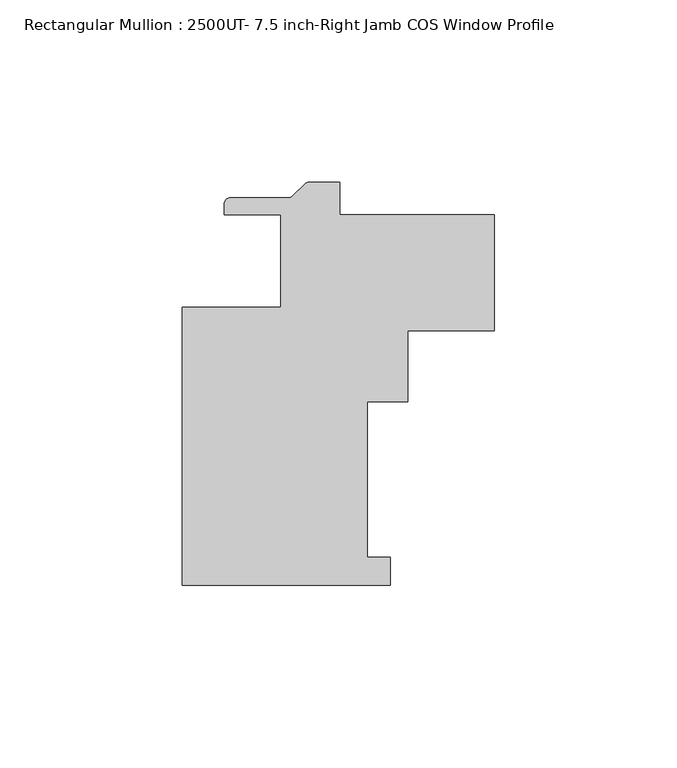
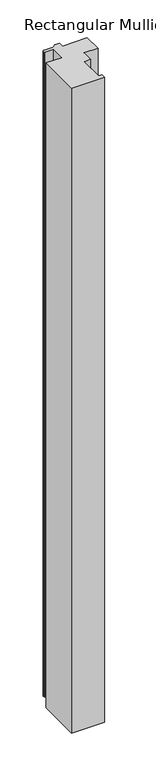
"""IFC4 building model written with IfcOpenShell, lengths in millimetres: member geometry, Rectangular Mullion : 2500UT- 7.5 inch-Right Jamb COS Window Profile."""

from ifc_helpers import new_model, si_unit, point, frame, frame_2d, origin, place, context, project, spatial, polyline, circle_curve, trimmed, segment, composite_curve, outline, extrude, source, transform, mapped, element, save


def rectangular_mullion_2500ut_7_5_inch_right_jamb_cos_window_6317d4c6(model_context):
    return source(origin(), model_context, "Body", "SweptSolid", [
        extrude(outline(composite_curve([segment(polyline([(-27.0362617, 21.6296875), (-18.6724412, 21.6296875), (-18.6724412, 12.6642815), (23.7998, 12.6642815), (23.7998, -19.0857185), (0.0037083, -19.0857185), (0.0037083, -38.6127625), (-11.1087917, -38.6127625), (-11.1087917, -81.3165125), (-4.7587917, -81.3165125), (-4.7587917, -88.9365125), (-61.9087917, -88.9365125), (-61.9087917, -12.7365125), (-34.9212917, -12.7365125), (-34.9212917, 12.6634874), (-50.4224412, 12.6634874), (-50.4224412, 15.5844875)]), True, "CONTINUOUS"), segment(trimmed(circle_curve(frame_2d((-48.6444412, 15.5844875)), 1.778), [point((-50.4224412, 15.5844875))], [point((-48.6444412, 17.3624875))], False, "CARTESIAN"), True, "CONTINUOUS"), segment(polyline([(-48.6444412, 17.3624875), (-32.7764051, 17.3624875)]), True, "CONTINUOUS"), segment(trimmed(circle_curve(frame_2d((-32.7764051, 19.1404875)), 1.778), [point((-32.7764051, 17.3624875))], [point((-31.5191693, 17.8832516))], True, "CARTESIAN"), True, "CONTINUOUS"), segment(polyline([(-31.5191693, 17.8832516), (-28.2934976, 21.1089234)]), True, "CONTINUOUS"), segment(trimmed(circle_curve(frame_2d((-27.0362617, 19.8516875)), 1.778), [point((-28.2934976, 21.1089234))], [point((-27.0362617, 21.6296875))], False, "CARTESIAN"), True, "CONTINUOUS")], self_intersect=False)), frame((0.0, 0.0, -1178.70605), z_axis=(0.0, 0.0, 1.0), x_axis=(1.0, 0.0, 0.0)), (0.0, 0.0, 1.0), 1178.70605),
    ])


if __name__ == "__main__":
    model = new_model("IFC4")
    model_context = context("Model", 3, world=origin())
    ifc_project = project(units=[si_unit("LENGTHUNIT", "METRE", prefix="MILLI")], contexts=[model_context])
    site = spatial("IfcSite", under=ifc_project)
    building = spatial("IfcBuilding", under=site)
    placement = place(None, origin())
    rectangular_mullion_2500ut_7_5_inch_right_jamb_cos_window_shape = rectangular_mullion_2500ut_7_5_inch_right_jamb_cos_window_6317d4c6(model_context)
    element("IfcMember", 1, ObjectType="Rectangular Mullion : 2500UT- 7.5 inch-Right Jamb COS Window Profile", at=placement, inside=building, context=model_context, shape_type="MappedRepresentation", body=[
        mapped(rectangular_mullion_2500ut_7_5_inch_right_jamb_cos_window_shape, transform((0.0, 0.0, 0.0), x_axis=(1.0, 0.0, 0.0), y_axis=(0.0, 1.0, 0.0), z_axis=(0.0, 0.0, 1.0))),
    ])
    save(model, "model.ifc")
